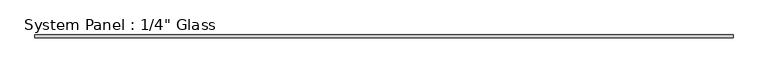
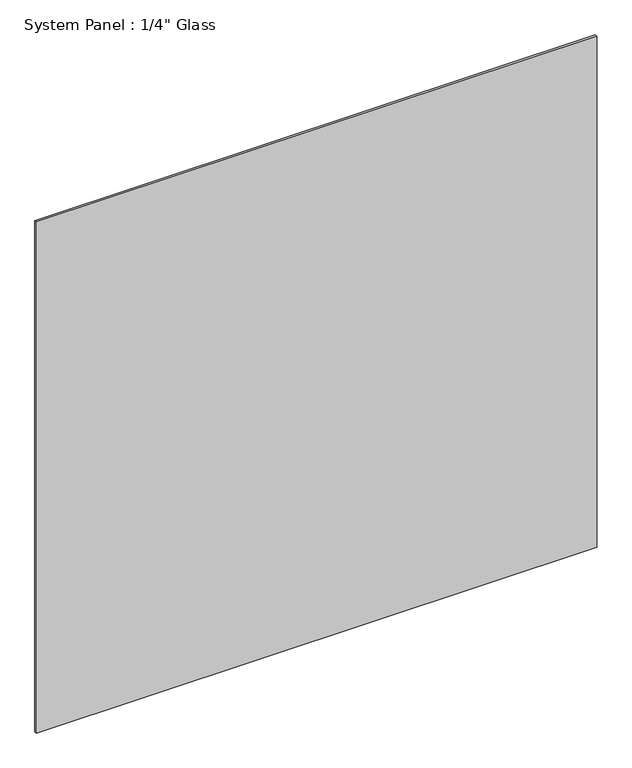
"""IFC4 building model written with IfcOpenShell, lengths in millimetres: plate geometry."""

from ifc_helpers import new_model, si_unit, origin, origin_with_axes, place, context, project, spatial, polyline, outline, extrude, source, transform, mapped, element, save


def plate_72cfc78f(model_context):
    return source(origin(), model_context, "Body", "SweptSolid", [
        extrude(outline(polyline([(729.6720691, -3.175), (-729.6720691, -3.175), (-729.6720691, 3.175), (729.6720691, 3.175), (729.6720691, -3.175)])), origin_with_axes(), (0.0, 0.0, 1.0), 1407.0511731),
    ])


if __name__ == "__main__":
    model = new_model("IFC4")
    model_context = context("Model", 3, world=origin())
    ifc_project = project(units=[si_unit("LENGTHUNIT", "METRE", prefix="MILLI")], contexts=[model_context])
    site = spatial("IfcSite", under=ifc_project)
    building = spatial("IfcBuilding", under=site)
    placement = place(None, origin())
    plate_shape = plate_72cfc78f(model_context)
    element("IfcPlate", 1, ObjectType="System Panel : 1/4\" Glass", at=placement, inside=building, context=model_context, shape_type="MappedRepresentation", body=[
        mapped(plate_shape, transform((0.0, 0.0, 0.0), x_axis=(1.0, 0.0, 0.0), y_axis=(0.0, 1.0, 0.0), z_axis=(0.0, 0.0, 1.0))),
    ])
    save(model, "model.ifc")
